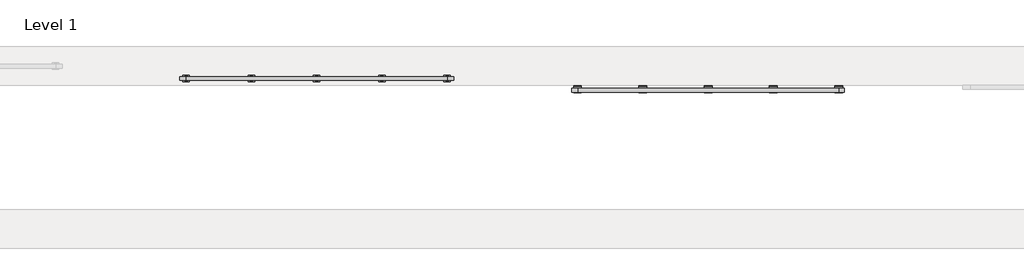
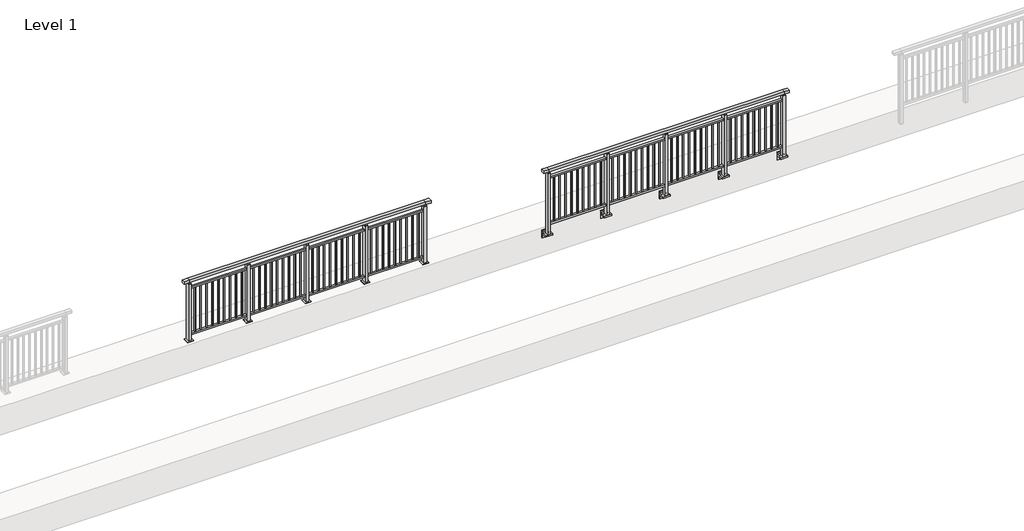
# One storey, part 6 of 37: 2 railings.
"""IFC4 building model written with IfcOpenShell, lengths in millimetres."""

from ifc_helpers import new_model, si_unit, point, frame, frame_2d, origin, origin_with_axes, place, context, project, spatial, polyline, circle_curve, trimmed, segment, composite_curve, outline, extrude, faceted_brep, element, save

model = new_model("IFC4")

# Units and contexts
model_context = context("Model", 3, world=origin())
ifc_project = project(units=[si_unit("LENGTHUNIT", "METRE", prefix="MILLI")], contexts=[model_context])

# Site, building, storey
site = spatial("IfcSite", under=ifc_project)
building = spatial("IfcBuilding", under=site)
storey = spatial("IfcBuildingStorey", under=building, Name="Level 1", Elevation=0.0)

# Railings
placement = place(None, origin())
element("IfcRailing", 1, at=placement, inside=storey, context=model_context, shape_type="SolidModel", body=[
    faceted_brep([(6000.0, 2530.1846828, 1055.0), (6000.0, 2530.1846828, 1100.0), (10000.0, 2530.1846828, 1100.0), (10000.0, 2530.1846828, 1055.0), (6000.0, 2470.1846828, 1055.0), (10000.0, 2470.1846828, 1055.0), (6000.0, 2470.1846828, 1100.0), (10000.0, 2470.1846828, 1100.0), (5900.0, 2530.1846828, 1100.0), (5900.0, 2530.1846828, 1055.0), (5900.0, 2470.1846828, 1055.0), (5900.0, 2470.1846828, 1100.0), (10100.0, 2530.1846828, 1100.0), (10100.0, 2470.1846828, 1100.0), (10100.0, 2470.1846828, 1055.0), (10100.0, 2530.1846828, 1055.0)], [[[0, 1, 2, 3]], [[4, 0, 3, 5]], [[6, 4, 5, 7]], [[1, 6, 7, 2]], [[8, 9, 10, 11]], [[9, 8, 1, 0]], [[10, 9, 0, 4]], [[11, 10, 4, 6]], [[8, 11, 6, 1]], [[12, 13, 14, 15]], [[3, 2, 12, 15]], [[5, 3, 15, 14]], [[7, 5, 14, 13]], [[2, 7, 13, 12]]]),
    extrude(outline(polyline([(6000.0, 2482.6846828), (6000.0, 2517.6846828), (10000.0, 2517.6846828), (10000.0, 2482.6846828), (6000.0, 2482.6846828)])), frame((0.0, 0.0, 930.0), z_axis=(0.0, 0.0, 1.0), x_axis=(1.0, 0.0, 0.0)), (0.0, 0.0, 1.0), 30.0),
    extrude(outline(polyline([(6000.0, 2482.6846828), (6000.0, 2517.6846828), (10000.0, 2517.6846828), (10000.0, 2482.6846828), (6000.0, 2482.6846828)])), frame((0.0, 0.0, 95.0), z_axis=(0.0, 0.0, 1.0), x_axis=(1.0, 0.0, 0.0)), (0.0, 0.0, 1.0), 30.0),
    extrude(outline(polyline([(9908.5, 2508.6846828), (9908.5, 2491.6846828), (9891.5, 2491.6846828), (9891.5, 2508.6846828), (9908.5, 2508.6846828)])), frame((0.0, 0.0, 125.0), z_axis=(0.0, 0.0, 1.0), x_axis=(1.0, 0.0, 0.0)), (0.0, 0.0, 1.0), 805.0),
    extrude(outline(polyline([(9808.5, 2508.6846828), (9808.5, 2491.6846828), (9791.5, 2491.6846828), (9791.5, 2508.6846828), (9808.5, 2508.6846828)])), frame((0.0, 0.0, 125.0), z_axis=(0.0, 0.0, 1.0), x_axis=(1.0, 0.0, 0.0)), (0.0, 0.0, 1.0), 805.0),
    extrude(outline(polyline([(9708.5, 2508.6846828), (9708.5, 2491.6846828), (9691.5, 2491.6846828), (9691.5, 2508.6846828), (9708.5, 2508.6846828)])), frame((0.0, 0.0, 125.0), z_axis=(0.0, 0.0, 1.0), x_axis=(1.0, 0.0, 0.0)), (0.0, 0.0, 1.0), 805.0),
    extrude(outline(polyline([(9608.5, 2508.6846828), (9608.5, 2491.6846828), (9591.5, 2491.6846828), (9591.5, 2508.6846828), (9608.5, 2508.6846828)])), frame((0.0, 0.0, 125.0), z_axis=(0.0, 0.0, 1.0), x_axis=(1.0, 0.0, 0.0)), (0.0, 0.0, 1.0), 805.0),
    extrude(outline(polyline([(9508.5, 2508.6846828), (9508.5, 2491.6846828), (9491.5, 2491.6846828), (9491.5, 2508.6846828), (9508.5, 2508.6846828)])), frame((0.0, 0.0, 125.0), z_axis=(0.0, 0.0, 1.0), x_axis=(1.0, 0.0, 0.0)), (0.0, 0.0, 1.0), 805.0),
    extrude(outline(polyline([(9408.5, 2508.6846828), (9408.5, 2491.6846828), (9391.5, 2491.6846828), (9391.5, 2508.6846828), (9408.5, 2508.6846828)])), frame((0.0, 0.0, 125.0), z_axis=(0.0, 0.0, 1.0), x_axis=(1.0, 0.0, 0.0)), (0.0, 0.0, 1.0), 805.0),
    extrude(outline(polyline([(9308.5, 2508.6846828), (9308.5, 2491.6846828), (9291.5, 2491.6846828), (9291.5, 2508.6846828), (9308.5, 2508.6846828)])), frame((0.0, 0.0, 125.0), z_axis=(0.0, 0.0, 1.0), x_axis=(1.0, 0.0, 0.0)), (0.0, 0.0, 1.0), 805.0),
    extrude(outline(polyline([(9208.5, 2508.6846828), (9208.5, 2491.6846828), (9191.5, 2491.6846828), (9191.5, 2508.6846828), (9208.5, 2508.6846828)])), frame((0.0, 0.0, 125.0), z_axis=(0.0, 0.0, 1.0), x_axis=(1.0, 0.0, 0.0)), (0.0, 0.0, 1.0), 805.0),
    extrude(outline(polyline([(9108.5, 2508.6846828), (9108.5, 2491.6846828), (9091.5, 2491.6846828), (9091.5, 2508.6846828), (9108.5, 2508.6846828)])), frame((0.0, 0.0, 125.0), z_axis=(0.0, 0.0, 1.0), x_axis=(1.0, 0.0, 0.0)), (0.0, 0.0, 1.0), 805.0),
    extrude(outline(polyline([(9010.0, 2490.1846828), (8990.0, 2490.1846828), (8990.0, 2510.1846828), (9010.0, 2510.1846828), (9010.0, 2490.1846828)])), frame((0.0, 0.0, 1035.0), z_axis=(0.0, 0.0, 1.0), x_axis=(1.0, 0.0, 0.0)), (0.0, 0.0, 1.0), 20.0),
    extrude(outline(polyline([(9022.5, 2467.6846828), (8977.5, 2467.6846828), (8977.5, 2532.6846828), (9022.5, 2532.6846828), (9022.5, 2467.6846828)])), frame((0.0, 0.0, 1027.0), z_axis=(0.0, 0.0, 1.0), x_axis=(1.0, 0.0, 0.0)), (0.0, 0.0, 1.0), 8.0),
    extrude(outline(polyline([(9050.0, 2450.1846828), (8950.0, 2450.1846828), (8950.0, 2550.1846828), (9050.0, 2550.1846828), (9050.0, 2450.1846828)])), origin_with_axes(), (0.0, 0.0, 1.0), 12.0),
    extrude(outline(polyline([(9022.5, 2467.6846828), (8977.5, 2467.6846828), (8977.5, 2532.6846828), (9022.5, 2532.6846828), (9022.5, 2467.6846828)])), frame((0.0, 0.0, 12.0), z_axis=(0.0, 0.0, 1.0), x_axis=(1.0, 0.0, 0.0)), (0.0, 0.0, 1.0), 1015.0),
    extrude(outline(polyline([(8908.5, 2508.6846828), (8908.5, 2491.6846828), (8891.5, 2491.6846828), (8891.5, 2508.6846828), (8908.5, 2508.6846828)])), frame((0.0, 0.0, 125.0), z_axis=(0.0, 0.0, 1.0), x_axis=(1.0, 0.0, 0.0)), (0.0, 0.0, 1.0), 805.0),
    extrude(outline(polyline([(8808.5, 2508.6846828), (8808.5, 2491.6846828), (8791.5, 2491.6846828), (8791.5, 2508.6846828), (8808.5, 2508.6846828)])), frame((0.0, 0.0, 125.0), z_axis=(0.0, 0.0, 1.0), x_axis=(1.0, 0.0, 0.0)), (0.0, 0.0, 1.0), 805.0),
    extrude(outline(polyline([(8708.5, 2508.6846828), (8708.5, 2491.6846828), (8691.5, 2491.6846828), (8691.5, 2508.6846828), (8708.5, 2508.6846828)])), frame((0.0, 0.0, 125.0), z_axis=(0.0, 0.0, 1.0), x_axis=(1.0, 0.0, 0.0)), (0.0, 0.0, 1.0), 805.0),
    extrude(outline(polyline([(8608.5, 2508.6846828), (8608.5, 2491.6846828), (8591.5, 2491.6846828), (8591.5, 2508.6846828), (8608.5, 2508.6846828)])), frame((0.0, 0.0, 125.0), z_axis=(0.0, 0.0, 1.0), x_axis=(1.0, 0.0, 0.0)), (0.0, 0.0, 1.0), 805.0),
    extrude(outline(polyline([(8508.5, 2508.6846828), (8508.5, 2491.6846828), (8491.5, 2491.6846828), (8491.5, 2508.6846828), (8508.5, 2508.6846828)])), frame((0.0, 0.0, 125.0), z_axis=(0.0, 0.0, 1.0), x_axis=(1.0, 0.0, 0.0)), (0.0, 0.0, 1.0), 805.0),
    extrude(outline(polyline([(8408.5, 2508.6846828), (8408.5, 2491.6846828), (8391.5, 2491.6846828), (8391.5, 2508.6846828), (8408.5, 2508.6846828)])), frame((0.0, 0.0, 125.0), z_axis=(0.0, 0.0, 1.0), x_axis=(1.0, 0.0, 0.0)), (0.0, 0.0, 1.0), 805.0),
    extrude(outline(polyline([(8308.5, 2508.6846828), (8308.5, 2491.6846828), (8291.5, 2491.6846828), (8291.5, 2508.6846828), (8308.5, 2508.6846828)])), frame((0.0, 0.0, 125.0), z_axis=(0.0, 0.0, 1.0), x_axis=(1.0, 0.0, 0.0)), (0.0, 0.0, 1.0), 805.0),
    extrude(outline(polyline([(8208.5, 2508.6846828), (8208.5, 2491.6846828), (8191.5, 2491.6846828), (8191.5, 2508.6846828), (8208.5, 2508.6846828)])), frame((0.0, 0.0, 125.0), z_axis=(0.0, 0.0, 1.0), x_axis=(1.0, 0.0, 0.0)), (0.0, 0.0, 1.0), 805.0),
    extrude(outline(polyline([(8108.5, 2508.6846828), (8108.5, 2491.6846828), (8091.5, 2491.6846828), (8091.5, 2508.6846828), (8108.5, 2508.6846828)])), frame((0.0, 0.0, 125.0), z_axis=(0.0, 0.0, 1.0), x_axis=(1.0, 0.0, 0.0)), (0.0, 0.0, 1.0), 805.0),
    extrude(outline(polyline([(8010.0, 2490.1846828), (7990.0, 2490.1846828), (7990.0, 2510.1846828), (8010.0, 2510.1846828), (8010.0, 2490.1846828)])), frame((0.0, 0.0, 1035.0), z_axis=(0.0, 0.0, 1.0), x_axis=(1.0, 0.0, 0.0)), (0.0, 0.0, 1.0), 20.0),
    extrude(outline(polyline([(8022.5, 2467.6846828), (7977.5, 2467.6846828), (7977.5, 2532.6846828), (8022.5, 2532.6846828), (8022.5, 2467.6846828)])), frame((0.0, 0.0, 1027.0), z_axis=(0.0, 0.0, 1.0), x_axis=(1.0, 0.0, 0.0)), (0.0, 0.0, 1.0), 8.0),
    extrude(outline(polyline([(8050.0, 2450.1846828), (7950.0, 2450.1846828), (7950.0, 2550.1846828), (8050.0, 2550.1846828), (8050.0, 2450.1846828)])), origin_with_axes(), (0.0, 0.0, 1.0), 12.0),
    extrude(outline(polyline([(8022.5, 2467.6846828), (7977.5, 2467.6846828), (7977.5, 2532.6846828), (8022.5, 2532.6846828), (8022.5, 2467.6846828)])), frame((0.0, 0.0, 12.0), z_axis=(0.0, 0.0, 1.0), x_axis=(1.0, 0.0, 0.0)), (0.0, 0.0, 1.0), 1015.0),
    extrude(outline(polyline([(7908.5, 2508.6846828), (7908.5, 2491.6846828), (7891.5, 2491.6846828), (7891.5, 2508.6846828), (7908.5, 2508.6846828)])), frame((0.0, 0.0, 125.0), z_axis=(0.0, 0.0, 1.0), x_axis=(1.0, 0.0, 0.0)), (0.0, 0.0, 1.0), 805.0),
    extrude(outline(polyline([(7808.5, 2508.6846828), (7808.5, 2491.6846828), (7791.5, 2491.6846828), (7791.5, 2508.6846828), (7808.5, 2508.6846828)])), frame((0.0, 0.0, 125.0), z_axis=(0.0, 0.0, 1.0), x_axis=(1.0, 0.0, 0.0)), (0.0, 0.0, 1.0), 805.0),
    extrude(outline(polyline([(7708.5, 2508.6846828), (7708.5, 2491.6846828), (7691.5, 2491.6846828), (7691.5, 2508.6846828), (7708.5, 2508.6846828)])), frame((0.0, 0.0, 125.0), z_axis=(0.0, 0.0, 1.0), x_axis=(1.0, 0.0, 0.0)), (0.0, 0.0, 1.0), 805.0),
    extrude(outline(polyline([(7608.5, 2508.6846828), (7608.5, 2491.6846828), (7591.5, 2491.6846828), (7591.5, 2508.6846828), (7608.5, 2508.6846828)])), frame((0.0, 0.0, 125.0), z_axis=(0.0, 0.0, 1.0), x_axis=(1.0, 0.0, 0.0)), (0.0, 0.0, 1.0), 805.0),
    extrude(outline(polyline([(7508.5, 2508.6846828), (7508.5, 2491.6846828), (7491.5, 2491.6846828), (7491.5, 2508.6846828), (7508.5, 2508.6846828)])), frame((0.0, 0.0, 125.0), z_axis=(0.0, 0.0, 1.0), x_axis=(1.0, 0.0, 0.0)), (0.0, 0.0, 1.0), 805.0),
    extrude(outline(polyline([(7408.5, 2508.6846828), (7408.5, 2491.6846828), (7391.5, 2491.6846828), (7391.5, 2508.6846828), (7408.5, 2508.6846828)])), frame((0.0, 0.0, 125.0), z_axis=(0.0, 0.0, 1.0), x_axis=(1.0, 0.0, 0.0)), (0.0, 0.0, 1.0), 805.0),
    extrude(outline(polyline([(7308.5, 2508.6846828), (7308.5, 2491.6846828), (7291.5, 2491.6846828), (7291.5, 2508.6846828), (7308.5, 2508.6846828)])), frame((0.0, 0.0, 125.0), z_axis=(0.0, 0.0, 1.0), x_axis=(1.0, 0.0, 0.0)), (0.0, 0.0, 1.0), 805.0),
    extrude(outline(polyline([(7208.5, 2508.6846828), (7208.5, 2491.6846828), (7191.5, 2491.6846828), (7191.5, 2508.6846828), (7208.5, 2508.6846828)])), frame((0.0, 0.0, 125.0), z_axis=(0.0, 0.0, 1.0), x_axis=(1.0, 0.0, 0.0)), (0.0, 0.0, 1.0), 805.0),
    extrude(outline(polyline([(7108.5, 2508.6846828), (7108.5, 2491.6846828), (7091.5, 2491.6846828), (7091.5, 2508.6846828), (7108.5, 2508.6846828)])), frame((0.0, 0.0, 125.0), z_axis=(0.0, 0.0, 1.0), x_axis=(1.0, 0.0, 0.0)), (0.0, 0.0, 1.0), 805.0),
    extrude(outline(polyline([(7010.0, 2490.1846828), (6990.0, 2490.1846828), (6990.0, 2510.1846828), (7010.0, 2510.1846828), (7010.0, 2490.1846828)])), frame((0.0, 0.0, 1035.0), z_axis=(0.0, 0.0, 1.0), x_axis=(1.0, 0.0, 0.0)), (0.0, 0.0, 1.0), 20.0),
    extrude(outline(polyline([(7022.5, 2467.6846828), (6977.5, 2467.6846828), (6977.5, 2532.6846828), (7022.5, 2532.6846828), (7022.5, 2467.6846828)])), frame((0.0, 0.0, 1027.0), z_axis=(0.0, 0.0, 1.0), x_axis=(1.0, 0.0, 0.0)), (0.0, 0.0, 1.0), 8.0),
    extrude(outline(polyline([(7050.0, 2450.1846828), (6950.0, 2450.1846828), (6950.0, 2550.1846828), (7050.0, 2550.1846828), (7050.0, 2450.1846828)])), origin_with_axes(), (0.0, 0.0, 1.0), 12.0),
    extrude(outline(polyline([(7022.5, 2467.6846828), (6977.5, 2467.6846828), (6977.5, 2532.6846828), (7022.5, 2532.6846828), (7022.5, 2467.6846828)])), frame((0.0, 0.0, 12.0), z_axis=(0.0, 0.0, 1.0), x_axis=(1.0, 0.0, 0.0)), (0.0, 0.0, 1.0), 1015.0),
    extrude(outline(polyline([(6908.5, 2508.6846828), (6908.5, 2491.6846828), (6891.5, 2491.6846828), (6891.5, 2508.6846828), (6908.5, 2508.6846828)])), frame((0.0, 0.0, 125.0), z_axis=(0.0, 0.0, 1.0), x_axis=(1.0, 0.0, 0.0)), (0.0, 0.0, 1.0), 805.0),
    extrude(outline(polyline([(6808.5, 2508.6846828), (6808.5, 2491.6846828), (6791.5, 2491.6846828), (6791.5, 2508.6846828), (6808.5, 2508.6846828)])), frame((0.0, 0.0, 125.0), z_axis=(0.0, 0.0, 1.0), x_axis=(1.0, 0.0, 0.0)), (0.0, 0.0, 1.0), 805.0),
    extrude(outline(polyline([(6708.5, 2508.6846828), (6708.5, 2491.6846828), (6691.5, 2491.6846828), (6691.5, 2508.6846828), (6708.5, 2508.6846828)])), frame((0.0, 0.0, 125.0), z_axis=(0.0, 0.0, 1.0), x_axis=(1.0, 0.0, 0.0)), (0.0, 0.0, 1.0), 805.0),
    extrude(outline(polyline([(6608.5, 2508.6846828), (6608.5, 2491.6846828), (6591.5, 2491.6846828), (6591.5, 2508.6846828), (6608.5, 2508.6846828)])), frame((0.0, 0.0, 125.0), z_axis=(0.0, 0.0, 1.0), x_axis=(1.0, 0.0, 0.0)), (0.0, 0.0, 1.0), 805.0),
    extrude(outline(polyline([(6508.5, 2508.6846828), (6508.5, 2491.6846828), (6491.5, 2491.6846828), (6491.5, 2508.6846828), (6508.5, 2508.6846828)])), frame((0.0, 0.0, 125.0), z_axis=(0.0, 0.0, 1.0), x_axis=(1.0, 0.0, 0.0)), (0.0, 0.0, 1.0), 805.0),
    extrude(outline(polyline([(6408.5, 2508.6846828), (6408.5, 2491.6846828), (6391.5, 2491.6846828), (6391.5, 2508.6846828), (6408.5, 2508.6846828)])), frame((0.0, 0.0, 125.0), z_axis=(0.0, 0.0, 1.0), x_axis=(1.0, 0.0, 0.0)), (0.0, 0.0, 1.0), 805.0),
    extrude(outline(polyline([(6308.5, 2508.6846828), (6308.5, 2491.6846828), (6291.5, 2491.6846828), (6291.5, 2508.6846828), (6308.5, 2508.6846828)])), frame((0.0, 0.0, 125.0), z_axis=(0.0, 0.0, 1.0), x_axis=(1.0, 0.0, 0.0)), (0.0, 0.0, 1.0), 805.0),
    extrude(outline(polyline([(6208.5, 2508.6846828), (6208.5, 2491.6846828), (6191.5, 2491.6846828), (6191.5, 2508.6846828), (6208.5, 2508.6846828)])), frame((0.0, 0.0, 125.0), z_axis=(0.0, 0.0, 1.0), x_axis=(1.0, 0.0, 0.0)), (0.0, 0.0, 1.0), 805.0),
    extrude(outline(polyline([(6108.5, 2508.6846828), (6108.5, 2491.6846828), (6091.5, 2491.6846828), (6091.5, 2508.6846828), (6108.5, 2508.6846828)])), frame((0.0, 0.0, 125.0), z_axis=(0.0, 0.0, 1.0), x_axis=(1.0, 0.0, 0.0)), (0.0, 0.0, 1.0), 805.0),
    extrude(outline(polyline([(10010.0, 2490.1846828), (9990.0, 2490.1846828), (9990.0, 2510.1846828), (10010.0, 2510.1846828), (10010.0, 2490.1846828)])), frame((0.0, 0.0, 1035.0), z_axis=(0.0, 0.0, 1.0), x_axis=(1.0, 0.0, 0.0)), (0.0, 0.0, 1.0), 20.0),
    extrude(outline(polyline([(10022.5, 2467.6846828), (9977.5, 2467.6846828), (9977.5, 2532.6846828), (10022.5, 2532.6846828), (10022.5, 2467.6846828)])), frame((0.0, 0.0, 1027.0), z_axis=(0.0, 0.0, 1.0), x_axis=(1.0, 0.0, 0.0)), (0.0, 0.0, 1.0), 8.0),
    extrude(outline(polyline([(10050.0, 2450.1846828), (9950.0, 2450.1846828), (9950.0, 2550.1846828), (10050.0, 2550.1846828), (10050.0, 2450.1846828)])), origin_with_axes(), (0.0, 0.0, 1.0), 12.0),
    extrude(outline(polyline([(10022.5, 2467.6846828), (9977.5, 2467.6846828), (9977.5, 2532.6846828), (10022.5, 2532.6846828), (10022.5, 2467.6846828)])), frame((0.0, 0.0, 12.0), z_axis=(0.0, 0.0, 1.0), x_axis=(1.0, 0.0, 0.0)), (0.0, 0.0, 1.0), 1015.0),
    extrude(outline(polyline([(6010.0, 2490.1846828), (5990.0, 2490.1846828), (5990.0, 2510.1846828), (6010.0, 2510.1846828), (6010.0, 2490.1846828)])), frame((0.0, 0.0, 1035.0), z_axis=(0.0, 0.0, 1.0), x_axis=(1.0, 0.0, 0.0)), (0.0, 0.0, 1.0), 20.0),
    extrude(outline(polyline([(6022.5, 2467.6846828), (5977.5, 2467.6846828), (5977.5, 2532.6846828), (6022.5, 2532.6846828), (6022.5, 2467.6846828)])), frame((0.0, 0.0, 1027.0), z_axis=(0.0, 0.0, 1.0), x_axis=(1.0, 0.0, 0.0)), (0.0, 0.0, 1.0), 8.0),
    extrude(outline(polyline([(6050.0, 2450.1846828), (5950.0, 2450.1846828), (5950.0, 2550.1846828), (6050.0, 2550.1846828), (6050.0, 2450.1846828)])), origin_with_axes(), (0.0, 0.0, 1.0), 12.0),
    extrude(outline(polyline([(6022.5, 2467.6846828), (5977.5, 2467.6846828), (5977.5, 2532.6846828), (6022.5, 2532.6846828), (6022.5, 2467.6846828)])), frame((0.0, 0.0, 12.0), z_axis=(0.0, 0.0, 1.0), x_axis=(1.0, 0.0, 0.0)), (0.0, 0.0, 1.0), 1015.0),
])
element("IfcRailing", 2, at=placement, inside=storey, context=model_context, shape_type="SolidModel", body=[
    faceted_brep([(11910.0, 2347.6846828, 1100.0), (11910.0, 2347.6846828, 1055.0), (11910.0, 2287.6846828, 1055.0), (11910.0, 2287.6846828, 1100.0), (12000.0, 2347.6846828, 1100.0), (12000.0, 2347.6846828, 1055.0), (12000.0, 2287.6846828, 1055.0), (12000.0, 2287.6846828, 1100.0), (16000.0, 2347.6846828, 1100.0), (16000.0, 2347.6846828, 1055.0), (16000.0, 2287.6846828, 1055.0), (16000.0, 2287.6846828, 1100.0), (16090.0, 2347.6846828, 1100.0), (16090.0, 2287.6846828, 1100.0), (16090.0, 2287.6846828, 1055.0), (16090.0, 2347.6846828, 1055.0)], [[[0, 1, 2, 3]], [[1, 0, 4, 5]], [[2, 1, 5, 6]], [[3, 2, 6, 7]], [[0, 3, 7, 4]], [[5, 4, 8, 9]], [[6, 5, 9, 10]], [[7, 6, 10, 11]], [[4, 7, 11, 8]], [[12, 13, 14, 15]], [[9, 8, 12, 15]], [[10, 9, 15, 14]], [[11, 10, 14, 13]], [[8, 11, 13, 12]]]),
    extrude(outline(polyline([(12000.0, 2300.1846828), (12000.0, 2335.1846828), (16000.0, 2335.1846828), (16000.0, 2300.1846828), (12000.0, 2300.1846828)])), frame((0.0, 0.0, 930.0), z_axis=(0.0, 0.0, 1.0), x_axis=(1.0, 0.0, 0.0)), (0.0, 0.0, 1.0), 30.0),
    extrude(outline(polyline([(12000.0, 2300.1846828), (12000.0, 2335.1846828), (16000.0, 2335.1846828), (16000.0, 2300.1846828), (12000.0, 2300.1846828)])), frame((0.0, 0.0, 95.0), z_axis=(0.0, 0.0, 1.0), x_axis=(1.0, 0.0, 0.0)), (0.0, 0.0, 1.0), 30.0),
    extrude(outline(polyline([(15908.5, 2309.1846828), (15891.5, 2309.1846828), (15891.5, 2326.1846828), (15908.5, 2326.1846828), (15908.5, 2309.1846828)])), frame((0.0, 0.0, 125.0), z_axis=(0.0, 0.0, 1.0), x_axis=(1.0, 0.0, 0.0)), (0.0, 0.0, 1.0), 805.0),
    extrude(outline(polyline([(15808.5, 2309.1846828), (15791.5, 2309.1846828), (15791.5, 2326.1846828), (15808.5, 2326.1846828), (15808.5, 2309.1846828)])), frame((0.0, 0.0, 125.0), z_axis=(0.0, 0.0, 1.0), x_axis=(1.0, 0.0, 0.0)), (0.0, 0.0, 1.0), 805.0),
    extrude(outline(polyline([(15708.5, 2309.1846828), (15691.5, 2309.1846828), (15691.5, 2326.1846828), (15708.5, 2326.1846828), (15708.5, 2309.1846828)])), frame((0.0, 0.0, 125.0), z_axis=(0.0, 0.0, 1.0), x_axis=(1.0, 0.0, 0.0)), (0.0, 0.0, 1.0), 805.0),
    extrude(outline(polyline([(15608.5, 2309.1846828), (15591.5, 2309.1846828), (15591.5, 2326.1846828), (15608.5, 2326.1846828), (15608.5, 2309.1846828)])), frame((0.0, 0.0, 125.0), z_axis=(0.0, 0.0, 1.0), x_axis=(1.0, 0.0, 0.0)), (0.0, 0.0, 1.0), 805.0),
    extrude(outline(polyline([(15508.5, 2309.1846828), (15491.5, 2309.1846828), (15491.5, 2326.1846828), (15508.5, 2326.1846828), (15508.5, 2309.1846828)])), frame((0.0, 0.0, 125.0), z_axis=(0.0, 0.0, 1.0), x_axis=(1.0, 0.0, 0.0)), (0.0, 0.0, 1.0), 805.0),
    extrude(outline(polyline([(15408.5, 2309.1846828), (15391.5, 2309.1846828), (15391.5, 2326.1846828), (15408.5, 2326.1846828), (15408.5, 2309.1846828)])), frame((0.0, 0.0, 125.0), z_axis=(0.0, 0.0, 1.0), x_axis=(1.0, 0.0, 0.0)), (0.0, 0.0, 1.0), 805.0),
    extrude(outline(polyline([(15308.5, 2309.1846828), (15291.5, 2309.1846828), (15291.5, 2326.1846828), (15308.5, 2326.1846828), (15308.5, 2309.1846828)])), frame((0.0, 0.0, 125.0), z_axis=(0.0, 0.0, 1.0), x_axis=(1.0, 0.0, 0.0)), (0.0, 0.0, 1.0), 805.0),
    extrude(outline(polyline([(15208.5, 2309.1846828), (15191.5, 2309.1846828), (15191.5, 2326.1846828), (15208.5, 2326.1846828), (15208.5, 2309.1846828)])), frame((0.0, 0.0, 125.0), z_axis=(0.0, 0.0, 1.0), x_axis=(1.0, 0.0, 0.0)), (0.0, 0.0, 1.0), 805.0),
    extrude(outline(polyline([(15108.5, 2309.1846828), (15091.5, 2309.1846828), (15091.5, 2326.1846828), (15108.5, 2326.1846828), (15108.5, 2309.1846828)])), frame((0.0, 0.0, 125.0), z_axis=(0.0, 0.0, 1.0), x_axis=(1.0, 0.0, 0.0)), (0.0, 0.0, 1.0), 805.0),
    extrude(outline(composite_curve([segment(polyline([(2350.1846828, -70.0), (2384.1846828, -63.0), (2384.1846828, -32.5), (2400.1846828, -32.5), (2400.1846828, -167.5), (2384.1846828, -167.5), (2384.1846828, -113.5)]), True, "CONTINUOUS"), segment(trimmed(circle_curve(frame_2d((2364.1846828, -113.5)), 20.0), [point((2384.1846828, -113.5))], [point((2364.1846828, -93.5))], True, "CARTESIAN"), True, "CONTINUOUS"), segment(polyline([(2364.1846828, -93.5), (2280.1846828, -93.5), (2280.1846828, -70.0), (2350.1846828, -70.0)]), True, "CONTINUOUS")], self_intersect=False)), frame((14940.0, 0.0, 0.0), z_axis=(1.0, 0.0, 0.0), x_axis=(0.0, 1.0, 0.0)), (0.0, 0.0, 1.0), 120.0),
    extrude(outline(polyline([(15022.5, 2350.1846828), (15022.5, 2285.1846828), (14977.5, 2285.1846828), (14977.5, 2350.1846828), (15022.5, 2350.1846828)])), frame((0.0, 0.0, -70.0), z_axis=(0.0, 0.0, 1.0), x_axis=(1.0, 0.0, 0.0)), (0.0, 0.0, 1.0), 1097.0),
    extrude(outline(polyline([(15010.0, 2327.6846828), (15010.0, 2307.6846828), (14990.0, 2307.6846828), (14990.0, 2327.6846828), (15010.0, 2327.6846828)])), frame((0.0, 0.0, 1035.0), z_axis=(0.0, 0.0, 1.0), x_axis=(1.0, 0.0, 0.0)), (0.0, 0.0, 1.0), 20.0),
    extrude(outline(polyline([(15022.5, 2350.1846828), (15022.5, 2285.1846828), (14977.5, 2285.1846828), (14977.5, 2350.1846828), (15022.5, 2350.1846828)])), frame((0.0, 0.0, 1027.0), z_axis=(0.0, 0.0, 1.0), x_axis=(1.0, 0.0, 0.0)), (0.0, 0.0, 1.0), 8.0),
    extrude(outline(polyline([(14908.5, 2309.1846828), (14891.5, 2309.1846828), (14891.5, 2326.1846828), (14908.5, 2326.1846828), (14908.5, 2309.1846828)])), frame((0.0, 0.0, 125.0), z_axis=(0.0, 0.0, 1.0), x_axis=(1.0, 0.0, 0.0)), (0.0, 0.0, 1.0), 805.0),
    extrude(outline(polyline([(14808.5, 2309.1846828), (14791.5, 2309.1846828), (14791.5, 2326.1846828), (14808.5, 2326.1846828), (14808.5, 2309.1846828)])), frame((0.0, 0.0, 125.0), z_axis=(0.0, 0.0, 1.0), x_axis=(1.0, 0.0, 0.0)), (0.0, 0.0, 1.0), 805.0),
    extrude(outline(polyline([(14708.5, 2309.1846828), (14691.5, 2309.1846828), (14691.5, 2326.1846828), (14708.5, 2326.1846828), (14708.5, 2309.1846828)])), frame((0.0, 0.0, 125.0), z_axis=(0.0, 0.0, 1.0), x_axis=(1.0, 0.0, 0.0)), (0.0, 0.0, 1.0), 805.0),
    extrude(outline(polyline([(14608.5, 2309.1846828), (14591.5, 2309.1846828), (14591.5, 2326.1846828), (14608.5, 2326.1846828), (14608.5, 2309.1846828)])), frame((0.0, 0.0, 125.0), z_axis=(0.0, 0.0, 1.0), x_axis=(1.0, 0.0, 0.0)), (0.0, 0.0, 1.0), 805.0),
    extrude(outline(polyline([(14508.5, 2309.1846828), (14491.5, 2309.1846828), (14491.5, 2326.1846828), (14508.5, 2326.1846828), (14508.5, 2309.1846828)])), frame((0.0, 0.0, 125.0), z_axis=(0.0, 0.0, 1.0), x_axis=(1.0, 0.0, 0.0)), (0.0, 0.0, 1.0), 805.0),
    extrude(outline(polyline([(14408.5, 2309.1846828), (14391.5, 2309.1846828), (14391.5, 2326.1846828), (14408.5, 2326.1846828), (14408.5, 2309.1846828)])), frame((0.0, 0.0, 125.0), z_axis=(0.0, 0.0, 1.0), x_axis=(1.0, 0.0, 0.0)), (0.0, 0.0, 1.0), 805.0),
    extrude(outline(polyline([(14308.5, 2309.1846828), (14291.5, 2309.1846828), (14291.5, 2326.1846828), (14308.5, 2326.1846828), (14308.5, 2309.1846828)])), frame((0.0, 0.0, 125.0), z_axis=(0.0, 0.0, 1.0), x_axis=(1.0, 0.0, 0.0)), (0.0, 0.0, 1.0), 805.0),
    extrude(outline(polyline([(14208.5, 2309.1846828), (14191.5, 2309.1846828), (14191.5, 2326.1846828), (14208.5, 2326.1846828), (14208.5, 2309.1846828)])), frame((0.0, 0.0, 125.0), z_axis=(0.0, 0.0, 1.0), x_axis=(1.0, 0.0, 0.0)), (0.0, 0.0, 1.0), 805.0),
    extrude(outline(polyline([(14108.5, 2309.1846828), (14091.5, 2309.1846828), (14091.5, 2326.1846828), (14108.5, 2326.1846828), (14108.5, 2309.1846828)])), frame((0.0, 0.0, 125.0), z_axis=(0.0, 0.0, 1.0), x_axis=(1.0, 0.0, 0.0)), (0.0, 0.0, 1.0), 805.0),
    extrude(outline(composite_curve([segment(polyline([(2350.1846828, -70.0), (2384.1846828, -63.0), (2384.1846828, -32.5), (2400.1846828, -32.5), (2400.1846828, -167.5), (2384.1846828, -167.5), (2384.1846828, -113.5)]), True, "CONTINUOUS"), segment(trimmed(circle_curve(frame_2d((2364.1846828, -113.5)), 20.0), [point((2384.1846828, -113.5))], [point((2364.1846828, -93.5))], True, "CARTESIAN"), True, "CONTINUOUS"), segment(polyline([(2364.1846828, -93.5), (2280.1846828, -93.5), (2280.1846828, -70.0), (2350.1846828, -70.0)]), True, "CONTINUOUS")], self_intersect=False)), frame((13940.0, 0.0, 0.0), z_axis=(1.0, 0.0, 0.0), x_axis=(0.0, 1.0, 0.0)), (0.0, 0.0, 1.0), 120.0),
    extrude(outline(polyline([(14022.5, 2350.1846828), (14022.5, 2285.1846828), (13977.5, 2285.1846828), (13977.5, 2350.1846828), (14022.5, 2350.1846828)])), frame((0.0, 0.0, -70.0), z_axis=(0.0, 0.0, 1.0), x_axis=(1.0, 0.0, 0.0)), (0.0, 0.0, 1.0), 1097.0),
    extrude(outline(polyline([(14010.0, 2327.6846828), (14010.0, 2307.6846828), (13990.0, 2307.6846828), (13990.0, 2327.6846828), (14010.0, 2327.6846828)])), frame((0.0, 0.0, 1035.0), z_axis=(0.0, 0.0, 1.0), x_axis=(1.0, 0.0, 0.0)), (0.0, 0.0, 1.0), 20.0),
    extrude(outline(polyline([(14022.5, 2350.1846828), (14022.5, 2285.1846828), (13977.5, 2285.1846828), (13977.5, 2350.1846828), (14022.5, 2350.1846828)])), frame((0.0, 0.0, 1027.0), z_axis=(0.0, 0.0, 1.0), x_axis=(1.0, 0.0, 0.0)), (0.0, 0.0, 1.0), 8.0),
    extrude(outline(polyline([(13908.5, 2309.1846828), (13891.5, 2309.1846828), (13891.5, 2326.1846828), (13908.5, 2326.1846828), (13908.5, 2309.1846828)])), frame((0.0, 0.0, 125.0), z_axis=(0.0, 0.0, 1.0), x_axis=(1.0, 0.0, 0.0)), (0.0, 0.0, 1.0), 805.0),
    extrude(outline(polyline([(13808.5, 2309.1846828), (13791.5, 2309.1846828), (13791.5, 2326.1846828), (13808.5, 2326.1846828), (13808.5, 2309.1846828)])), frame((0.0, 0.0, 125.0), z_axis=(0.0, 0.0, 1.0), x_axis=(1.0, 0.0, 0.0)), (0.0, 0.0, 1.0), 805.0),
    extrude(outline(polyline([(13708.5, 2309.1846828), (13691.5, 2309.1846828), (13691.5, 2326.1846828), (13708.5, 2326.1846828), (13708.5, 2309.1846828)])), frame((0.0, 0.0, 125.0), z_axis=(0.0, 0.0, 1.0), x_axis=(1.0, 0.0, 0.0)), (0.0, 0.0, 1.0), 805.0),
    extrude(outline(polyline([(13608.5, 2309.1846828), (13591.5, 2309.1846828), (13591.5, 2326.1846828), (13608.5, 2326.1846828), (13608.5, 2309.1846828)])), frame((0.0, 0.0, 125.0), z_axis=(0.0, 0.0, 1.0), x_axis=(1.0, 0.0, 0.0)), (0.0, 0.0, 1.0), 805.0),
    extrude(outline(polyline([(13508.5, 2309.1846828), (13491.5, 2309.1846828), (13491.5, 2326.1846828), (13508.5, 2326.1846828), (13508.5, 2309.1846828)])), frame((0.0, 0.0, 125.0), z_axis=(0.0, 0.0, 1.0), x_axis=(1.0, 0.0, 0.0)), (0.0, 0.0, 1.0), 805.0),
    extrude(outline(polyline([(13408.5, 2309.1846828), (13391.5, 2309.1846828), (13391.5, 2326.1846828), (13408.5, 2326.1846828), (13408.5, 2309.1846828)])), frame((0.0, 0.0, 125.0), z_axis=(0.0, 0.0, 1.0), x_axis=(1.0, 0.0, 0.0)), (0.0, 0.0, 1.0), 805.0),
    extrude(outline(polyline([(13308.5, 2309.1846828), (13291.5, 2309.1846828), (13291.5, 2326.1846828), (13308.5, 2326.1846828), (13308.5, 2309.1846828)])), frame((0.0, 0.0, 125.0), z_axis=(0.0, 0.0, 1.0), x_axis=(1.0, 0.0, 0.0)), (0.0, 0.0, 1.0), 805.0),
    extrude(outline(polyline([(13208.5, 2309.1846828), (13191.5, 2309.1846828), (13191.5, 2326.1846828), (13208.5, 2326.1846828), (13208.5, 2309.1846828)])), frame((0.0, 0.0, 125.0), z_axis=(0.0, 0.0, 1.0), x_axis=(1.0, 0.0, 0.0)), (0.0, 0.0, 1.0), 805.0),
    extrude(outline(polyline([(13108.5, 2309.1846828), (13091.5, 2309.1846828), (13091.5, 2326.1846828), (13108.5, 2326.1846828), (13108.5, 2309.1846828)])), frame((0.0, 0.0, 125.0), z_axis=(0.0, 0.0, 1.0), x_axis=(1.0, 0.0, 0.0)), (0.0, 0.0, 1.0), 805.0),
    extrude(outline(composite_curve([segment(polyline([(2350.1846828, -70.0), (2384.1846828, -63.0), (2384.1846828, -32.5), (2400.1846828, -32.5), (2400.1846828, -167.5), (2384.1846828, -167.5), (2384.1846828, -113.5)]), True, "CONTINUOUS"), segment(trimmed(circle_curve(frame_2d((2364.1846828, -113.5)), 20.0), [point((2384.1846828, -113.5))], [point((2364.1846828, -93.5))], True, "CARTESIAN"), True, "CONTINUOUS"), segment(polyline([(2364.1846828, -93.5), (2280.1846828, -93.5), (2280.1846828, -70.0), (2350.1846828, -70.0)]), True, "CONTINUOUS")], self_intersect=False)), frame((12940.0, 0.0, 0.0), z_axis=(1.0, 0.0, 0.0), x_axis=(0.0, 1.0, 0.0)), (0.0, 0.0, 1.0), 120.0),
    extrude(outline(polyline([(13022.5, 2350.1846828), (13022.5, 2285.1846828), (12977.5, 2285.1846828), (12977.5, 2350.1846828), (13022.5, 2350.1846828)])), frame((0.0, 0.0, -70.0), z_axis=(0.0, 0.0, 1.0), x_axis=(1.0, 0.0, 0.0)), (0.0, 0.0, 1.0), 1097.0),
    extrude(outline(polyline([(13010.0, 2327.6846828), (13010.0, 2307.6846828), (12990.0, 2307.6846828), (12990.0, 2327.6846828), (13010.0, 2327.6846828)])), frame((0.0, 0.0, 1035.0), z_axis=(0.0, 0.0, 1.0), x_axis=(1.0, 0.0, 0.0)), (0.0, 0.0, 1.0), 20.0),
    extrude(outline(polyline([(13022.5, 2350.1846828), (13022.5, 2285.1846828), (12977.5, 2285.1846828), (12977.5, 2350.1846828), (13022.5, 2350.1846828)])), frame((0.0, 0.0, 1027.0), z_axis=(0.0, 0.0, 1.0), x_axis=(1.0, 0.0, 0.0)), (0.0, 0.0, 1.0), 8.0),
    extrude(outline(polyline([(12908.5, 2309.1846828), (12891.5, 2309.1846828), (12891.5, 2326.1846828), (12908.5, 2326.1846828), (12908.5, 2309.1846828)])), frame((0.0, 0.0, 125.0), z_axis=(0.0, 0.0, 1.0), x_axis=(1.0, 0.0, 0.0)), (0.0, 0.0, 1.0), 805.0),
    extrude(outline(polyline([(12808.5, 2309.1846828), (12791.5, 2309.1846828), (12791.5, 2326.1846828), (12808.5, 2326.1846828), (12808.5, 2309.1846828)])), frame((0.0, 0.0, 125.0), z_axis=(0.0, 0.0, 1.0), x_axis=(1.0, 0.0, 0.0)), (0.0, 0.0, 1.0), 805.0),
    extrude(outline(polyline([(12708.5, 2309.1846828), (12691.5, 2309.1846828), (12691.5, 2326.1846828), (12708.5, 2326.1846828), (12708.5, 2309.1846828)])), frame((0.0, 0.0, 125.0), z_axis=(0.0, 0.0, 1.0), x_axis=(1.0, 0.0, 0.0)), (0.0, 0.0, 1.0), 805.0),
    extrude(outline(polyline([(12608.5, 2309.1846828), (12591.5, 2309.1846828), (12591.5, 2326.1846828), (12608.5, 2326.1846828), (12608.5, 2309.1846828)])), frame((0.0, 0.0, 125.0), z_axis=(0.0, 0.0, 1.0), x_axis=(1.0, 0.0, 0.0)), (0.0, 0.0, 1.0), 805.0),
    extrude(outline(polyline([(12508.5, 2309.1846828), (12491.5, 2309.1846828), (12491.5, 2326.1846828), (12508.5, 2326.1846828), (12508.5, 2309.1846828)])), frame((0.0, 0.0, 125.0), z_axis=(0.0, 0.0, 1.0), x_axis=(1.0, 0.0, 0.0)), (0.0, 0.0, 1.0), 805.0),
    extrude(outline(polyline([(12408.5, 2309.1846828), (12391.5, 2309.1846828), (12391.5, 2326.1846828), (12408.5, 2326.1846828), (12408.5, 2309.1846828)])), frame((0.0, 0.0, 125.0), z_axis=(0.0, 0.0, 1.0), x_axis=(1.0, 0.0, 0.0)), (0.0, 0.0, 1.0), 805.0),
    extrude(outline(polyline([(12308.5, 2309.1846828), (12291.5, 2309.1846828), (12291.5, 2326.1846828), (12308.5, 2326.1846828), (12308.5, 2309.1846828)])), frame((0.0, 0.0, 125.0), z_axis=(0.0, 0.0, 1.0), x_axis=(1.0, 0.0, 0.0)), (0.0, 0.0, 1.0), 805.0),
    extrude(outline(polyline([(12208.5, 2309.1846828), (12191.5, 2309.1846828), (12191.5, 2326.1846828), (12208.5, 2326.1846828), (12208.5, 2309.1846828)])), frame((0.0, 0.0, 125.0), z_axis=(0.0, 0.0, 1.0), x_axis=(1.0, 0.0, 0.0)), (0.0, 0.0, 1.0), 805.0),
    extrude(outline(polyline([(12108.5, 2309.1846828), (12091.5, 2309.1846828), (12091.5, 2326.1846828), (12108.5, 2326.1846828), (12108.5, 2309.1846828)])), frame((0.0, 0.0, 125.0), z_axis=(0.0, 0.0, 1.0), x_axis=(1.0, 0.0, 0.0)), (0.0, 0.0, 1.0), 805.0),
    extrude(outline(composite_curve([segment(polyline([(2350.1846828, -70.0), (2384.1846828, -63.0), (2384.1846828, -32.5), (2400.1846828, -32.5), (2400.1846828, -167.5), (2384.1846828, -167.5), (2384.1846828, -113.5)]), True, "CONTINUOUS"), segment(trimmed(circle_curve(frame_2d((2364.1846828, -113.5)), 20.0), [point((2384.1846828, -113.5))], [point((2364.1846828, -93.5))], True, "CARTESIAN"), True, "CONTINUOUS"), segment(polyline([(2364.1846828, -93.5), (2280.1846828, -93.5), (2280.1846828, -70.0), (2350.1846828, -70.0)]), True, "CONTINUOUS")], self_intersect=False)), frame((15940.0, 0.0, 0.0), z_axis=(1.0, 0.0, 0.0), x_axis=(0.0, 1.0, 0.0)), (0.0, 0.0, 1.0), 120.0),
    extrude(outline(polyline([(16022.5, 2350.1846828), (16022.5, 2285.1846828), (15977.5, 2285.1846828), (15977.5, 2350.1846828), (16022.5, 2350.1846828)])), frame((0.0, 0.0, -70.0), z_axis=(0.0, 0.0, 1.0), x_axis=(1.0, 0.0, 0.0)), (0.0, 0.0, 1.0), 1097.0),
    extrude(outline(polyline([(16010.0, 2327.6846828), (16010.0, 2307.6846828), (15990.0, 2307.6846828), (15990.0, 2327.6846828), (16010.0, 2327.6846828)])), frame((0.0, 0.0, 1035.0), z_axis=(0.0, 0.0, 1.0), x_axis=(1.0, 0.0, 0.0)), (0.0, 0.0, 1.0), 20.0),
    extrude(outline(polyline([(16022.5, 2350.1846828), (16022.5, 2285.1846828), (15977.5, 2285.1846828), (15977.5, 2350.1846828), (16022.5, 2350.1846828)])), frame((0.0, 0.0, 1027.0), z_axis=(0.0, 0.0, 1.0), x_axis=(1.0, 0.0, 0.0)), (0.0, 0.0, 1.0), 8.0),
    extrude(outline(composite_curve([segment(polyline([(2350.1846828, -70.0), (2384.1846828, -63.0), (2384.1846828, -32.5), (2400.1846828, -32.5), (2400.1846828, -167.5), (2384.1846828, -167.5), (2384.1846828, -113.5)]), True, "CONTINUOUS"), segment(trimmed(circle_curve(frame_2d((2364.1846828, -113.5)), 20.0), [point((2384.1846828, -113.5))], [point((2364.1846828, -93.5))], True, "CARTESIAN"), True, "CONTINUOUS"), segment(polyline([(2364.1846828, -93.5), (2280.1846828, -93.5), (2280.1846828, -70.0), (2350.1846828, -70.0)]), True, "CONTINUOUS")], self_intersect=False)), frame((11940.0, 0.0, 0.0), z_axis=(1.0, 0.0, 0.0), x_axis=(0.0, 1.0, 0.0)), (0.0, 0.0, 1.0), 120.0),
    extrude(outline(polyline([(12022.5, 2350.1846828), (12022.5, 2285.1846828), (11977.5, 2285.1846828), (11977.5, 2350.1846828), (12022.5, 2350.1846828)])), frame((0.0, 0.0, -70.0), z_axis=(0.0, 0.0, 1.0), x_axis=(1.0, 0.0, 0.0)), (0.0, 0.0, 1.0), 1097.0),
    extrude(outline(polyline([(12010.0, 2327.6846828), (12010.0, 2307.6846828), (11990.0, 2307.6846828), (11990.0, 2327.6846828), (12010.0, 2327.6846828)])), frame((0.0, 0.0, 1035.0), z_axis=(0.0, 0.0, 1.0), x_axis=(1.0, 0.0, 0.0)), (0.0, 0.0, 1.0), 20.0),
    extrude(outline(polyline([(12022.5, 2350.1846828), (12022.5, 2285.1846828), (11977.5, 2285.1846828), (11977.5, 2350.1846828), (12022.5, 2350.1846828)])), frame((0.0, 0.0, 1027.0), z_axis=(0.0, 0.0, 1.0), x_axis=(1.0, 0.0, 0.0)), (0.0, 0.0, 1.0), 8.0),
])

save(model, "model.ifc")
